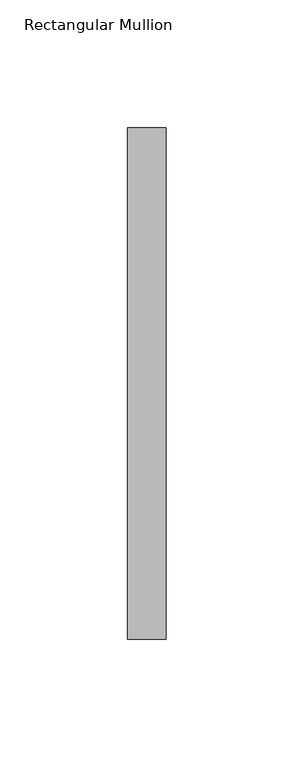
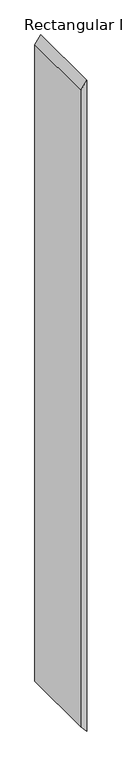
"""IFC4 building model written with IfcOpenShell, lengths in millimetres: member geometry, Rectangular Mullion."""

import ifcopenshell
import ifcopenshell.guid

model = None  # the IFC model being written
_history = None  # IfcOwnerHistory: only IFC2X3 demands one
_inside = {}  # id of a spatial element -> (the spatial element, [elements in it])
_under = {}  # id of a project, library or spatial element -> (it, [spatial elements below it])
_declared = {}  # id of a project -> (the project, [libraries it declares])
_typed = {}  # id of a type object -> (the type object, [elements of that type])
_made_of = {}  # id of a material, layer set ... -> (it, [elements and type objects made of it])


def new_model(schema):
    """Start an empty IFC model of exactly this schema.

    Asked for "IFC4X3", IfcOpenShell would pick the latest addendum, in which some entities
    have other attributes; the version numbers below select the first issue.
    IFC2X3 requires an IfcOwnerHistory on every rooted entity: one is made here for all.
    """
    global model, _history
    if schema == "IFC4X3":
        model = ifcopenshell.file(schema_version=(4, 3, 0, 0))
    else:
        model = ifcopenshell.file(schema=schema)
    _inside.clear()
    _under.clear()
    _declared.clear()
    _typed.clear()
    _made_of.clear()
    _history = None
    if model.schema == "IFC2X3":
        org = make("IfcOrganization", Name="unknown")
        user = make(
            "IfcPersonAndOrganization",
            ThePerson=make("IfcPerson", FamilyName="unknown"),
            TheOrganization=org,
        )
        app = make(
            "IfcApplication",
            ApplicationDeveloper=org,
            Version="unknown",
            ApplicationFullName="unknown",
            ApplicationIdentifier="unknown",
        )
        _history = make(
            "IfcOwnerHistory",
            OwningUser=user,
            OwningApplication=app,
            ChangeAction="ADDED",
            CreationDate=0,
        )
    return model


def make(cls, **values):
    """One entity of the class cls with the attributes given. An attribute that is None is left unset."""
    return model.create_entity(
        cls, **{name: value for name, value in values.items() if value is not None}
    )


def rooted(cls, **values):
    """An entity with a GlobalId (a new one), such as an element, a storey or a relation."""
    return make(cls, GlobalId=ifcopenshell.guid.new(), OwnerHistory=_history, **values)


def si_unit(unit_type, name, prefix=None):
    """IfcSIUnit, for example si_unit("LENGTHUNIT", "METRE", prefix="MILLI")."""
    return make("IfcSIUnit", UnitType=unit_type, Prefix=prefix, Name=name)


def assignment(units):
    """IfcUnitAssignment: the units of a project."""
    return None if units is None else make("IfcUnitAssignment", Units=units)


def point(xyz):
    """IfcCartesianPoint."""
    return None if xyz is None else make("IfcCartesianPoint", Coordinates=xyz)


def direction(xyz):
    """IfcDirection."""
    return None if xyz is None else make("IfcDirection", DirectionRatios=xyz)


def frame(location, z_axis=None, x_axis=None):
    """IfcAxis2Placement3D, a coordinate frame: its origin and axes. An axis left out is left unset."""
    return make(
        "IfcAxis2Placement3D",
        Location=point(location),
        Axis=direction(z_axis),
        RefDirection=direction(x_axis),
    )


def origin():
    """The frame at (0, 0, 0) with its axes left unset."""
    return frame((0.0, 0.0, 0.0))


def place(relative_to, where):
    """IfcLocalPlacement: puts the frame where relative to a parent placement (None: the world)."""
    return make(
        "IfcLocalPlacement", PlacementRelTo=relative_to, RelativePlacement=where
    )


def context(
    kind, dimensions, precision=None, world=None, true_north=None, identifier=None
):
    """IfcGeometricRepresentationContext, for example the 3D "Model" context."""
    return make(
        "IfcGeometricRepresentationContext",
        ContextIdentifier=identifier,
        ContextType=kind,
        CoordinateSpaceDimension=dimensions,
        Precision=precision,
        WorldCoordinateSystem=world,
        TrueNorth=true_north,
    )


def project(units=None, contexts=None):
    """IfcProject with its units and contexts."""
    return rooted(
        "IfcProject",
        Name="project",
        RepresentationContexts=contexts,
        UnitsInContext=assignment(units),
    )


def spatial(cls, under=None, at=None, **own):
    """A site, building, storey or space (cls), placed at a placement, below another one or the project."""
    s = rooted(cls, ObjectPlacement=at, **own)
    if under is not None:
        _under.setdefault(under.id(), (under, []))[1].append(s)
    return s


def polyline(points):
    """IfcPolyline through the points."""
    return make("IfcPolyline", Points=[point(p) for p in points])


def outline(outer, holes=None, kind="AREA"):
    """IfcArbitraryClosedProfileDef: a profile drawn as a closed curve; with holes, ...WithVoids."""
    if holes is None:
        return make("IfcArbitraryClosedProfileDef", ProfileType=kind, OuterCurve=outer)
    return make(
        "IfcArbitraryProfileDefWithVoids",
        ProfileType=kind,
        OuterCurve=outer,
        InnerCurves=holes,
    )


def extrude(swept, where, along, depth):
    """IfcExtrudedAreaSolid: the profile swept, set in the frame where, extruded along a direction by depth."""
    return make(
        "IfcExtrudedAreaSolid",
        SweptArea=swept,
        Position=where,
        ExtrudedDirection=direction(along),
        Depth=depth,
    )


def shape(context_of_items, identifier, shape_type, items):
    """IfcShapeRepresentation: the items that make up one representation, for example the "Body"."""
    return make(
        "IfcShapeRepresentation",
        ContextOfItems=context_of_items,
        RepresentationIdentifier=identifier,
        RepresentationType=shape_type,
        Items=items,
    )


def source(mapping_origin, context_of_items, identifier, shape_type, items):
    """IfcRepresentationMap: a shape defined once, which mapped items show again and again."""
    return make(
        "IfcRepresentationMap",
        MappingOrigin=mapping_origin,
        MappedRepresentation=shape(context_of_items, identifier, shape_type, items),
    )


def transform(
    local_origin,
    x_axis=None,
    y_axis=None,
    z_axis=None,
    scale=None,
    scale2=None,
    scale3=None,
    uniform=True,
):
    """IfcCartesianTransformationOperator3D, or its non-uniform kind. x_axis, y_axis, z_axis: its Axis1, 2, 3."""
    if uniform:
        return make(
            "IfcCartesianTransformationOperator3D",
            Axis1=direction(x_axis),
            Axis2=direction(y_axis),
            LocalOrigin=point(local_origin),
            Scale=scale,
            Axis3=direction(z_axis),
        )
    return make(
        "IfcCartesianTransformationOperator3DnonUniform",
        Axis1=direction(x_axis),
        Axis2=direction(y_axis),
        LocalOrigin=point(local_origin),
        Scale=scale,
        Axis3=direction(z_axis),
        Scale2=scale2,
        Scale3=scale3,
    )


def mapped(mapping_source, mapping_target):
    """IfcMappedItem: shows the shape of a source again, moved by a transform."""
    return make(
        "IfcMappedItem", MappingSource=mapping_source, MappingTarget=mapping_target
    )


def made_of(thing, what):
    """Note that an element or type object is made of a material, layer set ...; save() writes the relation."""
    if what is not None:
        _made_of.setdefault(what.id(), (what, []))[1].append(thing)
    return thing


def element(
    cls,
    number,
    at=None,
    inside=None,
    cuts=None,
    type_object=None,
    material=None,
    context=None,
    identifier="Body",
    shape_type=None,
    held_by="IfcProductDefinitionShape",
    body=None,
    shapes=None,
    **own,
):
    """One element of the class cls, such as IfcWall. Its Tag is "e" and its number.

    at: its placement. inside: the storey or other place that contains it. cuts: it is an
    opening in that element (IfcRelVoidsElement). A single representation is given by context,
    identifier, shape_type and body (its items); several are given by shapes. held_by: the class
    of the entity that holds the representations. save() writes the other relations.
    """
    e = rooted(cls, Tag="e%d" % number, ObjectPlacement=at, **own)
    if body is not None:
        shapes = [shape(context, identifier, shape_type, body)]
    if shapes is not None:
        e.Representation = make(held_by, Representations=shapes)
    if inside is not None:
        _inside.setdefault(inside.id(), (inside, []))[1].append(e)
    if cuts is not None:
        rooted(
            "IfcRelVoidsElement", RelatingBuildingElement=cuts, RelatedOpeningElement=e
        )
    if type_object is not None:
        _typed.setdefault(type_object.id(), (type_object, []))[1].append(e)
    return made_of(e, material)


def aggregate(whole, parts):
    """IfcRelAggregates: a whole, such as a stair, and the parts it consists of."""
    return rooted("IfcRelAggregates", RelatingObject=whole, RelatedObjects=parts)


def save(model, path):
    """Write the relations noted so far, then the file.

    IfcRelAggregates (storeys below a building ...), IfcRelContainedInSpatialStructure (elements
    in a storey), IfcRelDefinesByType, IfcRelAssociatesMaterial and IfcRelDeclares: one each for
    every whole, place, type object, material and project.
    """
    for whole, parts in _under.values():
        aggregate(whole, parts)
    for where, things in _inside.values():
        rooted(
            "IfcRelContainedInSpatialStructure",
            RelatedElements=things,
            RelatingStructure=where,
        )
    for kind, things in _typed.values():
        rooted("IfcRelDefinesByType", RelatedObjects=things, RelatingType=kind)
    for what, things in _made_of.values():
        rooted("IfcRelAssociatesMaterial", RelatedObjects=things, RelatingMaterial=what)
    for by, libraries in _declared.values():
        rooted("IfcRelDeclares", RelatingContext=by, RelatedDefinitions=libraries)
    model.write(path)


def rectangular_mullion_b3793e94(model_context):
    return source(origin(), model_context, "Body", "SweptSolid", [
        extrude(outline(polyline([(0.0, 0.0), (-20.4009773, -15.0), (-1714.70515, -15.0), (-1731.396487, 0.0), (0.0, 0.0)])), frame((0.0, -253.0, 0.0), z_axis=(0.0, 1.0, 0.0), x_axis=(0.0, 0.0, 1.0)), (0.0, 0.0, 1.0), 200.0),
    ])


if __name__ == "__main__":
    model = new_model("IFC4")
    model_context = context("Model", 3, world=origin())
    ifc_project = project(units=[si_unit("LENGTHUNIT", "METRE", prefix="MILLI")], contexts=[model_context])
    site = spatial("IfcSite", under=ifc_project)
    building = spatial("IfcBuilding", under=site)
    placement = place(None, origin())
    rectangular_mullion_shape = rectangular_mullion_b3793e94(model_context)
    element("IfcMember", 1, ObjectType="Rectangular Mullion", at=placement, inside=building, context=model_context, shape_type="MappedRepresentation", body=[
        mapped(rectangular_mullion_shape, transform((0.0, 0.0, 0.0), x_axis=(1.0, 0.0, 0.0), y_axis=(0.0, 1.0, 0.0), z_axis=(0.0, 0.0, 1.0))),
    ])
    save(model, "model.ifc")
